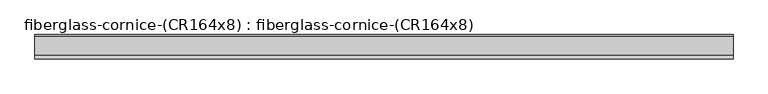
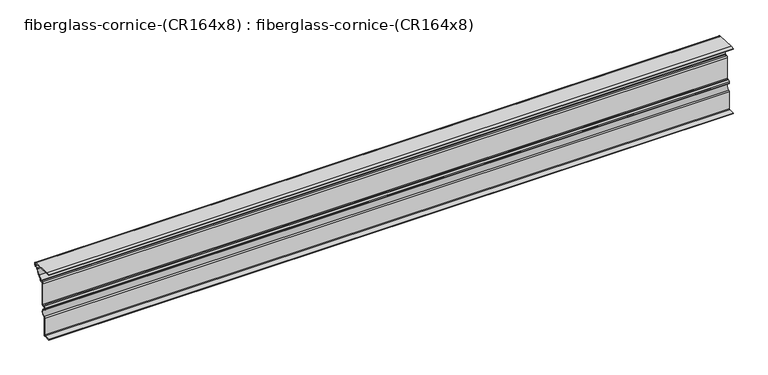
"""IFC4 building model written with IfcOpenShell, lengths in millimetres: furniture geometry, fiberglass-cornice-(CR164x8) : fiberglass-cornice-(CR164x8)."""

from ifc_helpers import new_model, si_unit, point, frame, frame_2d, origin, place, context, project, spatial, polyline, circle_curve, trimmed, segment, composite_curve, outline, extrude, source, transform, mapped, element, save


def fiberglass_cornice_cr164x8_fiberglass_cornice_cr164x8_91d077b2(model_context):
    return source(origin(), model_context, "Body", "SweptSolid", [
        extrude(outline(composite_curve([segment(polyline([(122.4404639, 330.1999904), (233.5654639, 327.3575667)]), True, "CONTINUOUS"), segment(trimmed(circle_curve(frame_2d((233.3625, 319.422662)), 7.9375), [point((233.5654639, 327.3575667))], [point((241.3, 319.422662))], False, "CARTESIAN"), True, "CONTINUOUS"), segment(polyline([(241.3, 319.422662), (241.3, 309.7707122)]), True, "CONTINUOUS"), segment(trimmed(circle_curve(frame_2d((233.3625, 309.7707122)), 7.9375), [point((241.3, 309.7707122))], [point((233.3625, 301.8332122))], False, "CARTESIAN"), True, "CONTINUOUS"), segment(polyline([(233.3625, 301.8332122), (215.9, 301.8332122)]), True, "CONTINUOUS"), segment(trimmed(circle_curve(frame_2d((215.9, 297.0707122)), 4.7625), [point((215.9, 301.8332122))], [point((215.9, 292.3082122))], False, "CARTESIAN"), True, "CONTINUOUS"), segment(trimmed(circle_curve(frame_2d((184.0165967, 294.5744018)), 31.9638393), [point((215.9, 292.3082122))], [point((200.025, 266.9082122))], False, "CARTESIAN"), True, "CONTINUOUS"), segment(trimmed(circle_curve(frame_2d((216.0334033, 239.2420227)), 31.9638393), [point((200.025, 266.9082122))], [point((185.1323585, 247.415911))], True, "CARTESIAN"), True, "CONTINUOUS"), segment(trimmed(circle_curve(frame_2d((177.4587796, 249.4457122)), 7.9375), [point((185.1323585, 247.415911))], [point((177.4587796, 241.5082122))], False, "CARTESIAN"), True, "CONTINUOUS"), segment(polyline([(177.4587796, 241.5082122), (168.275, 241.5082122)]), True, "CONTINUOUS"), segment(trimmed(circle_curve(frame_2d((168.275, 238.3332122)), 3.175), [point((168.275, 241.5082122))], [point((165.1, 238.3332122))], True, "CARTESIAN"), True, "CONTINUOUS"), segment(polyline([(165.1, 238.3332122), (165.1, 109.7457122)]), True, "CONTINUOUS"), segment(trimmed(circle_curve(frame_2d((157.1625, 109.7457122)), 7.9375), [point((165.1, 109.7457122))], [point((157.1625, 101.8082122))], False, "CARTESIAN"), True, "CONTINUOUS"), segment(polyline([(157.1625, 101.8082122), (149.225, 101.8082122)]), True, "CONTINUOUS"), segment(trimmed(circle_curve(frame_2d((149.225, 98.6332122)), 3.175), [point((149.225, 101.8082122))], [point((146.05, 98.6332122))], True, "CARTESIAN"), True, "CONTINUOUS"), segment(polyline([(146.05, 98.6332122), (146.05, 91.4209842)]), True, "CONTINUOUS"), segment(trimmed(circle_curve(frame_2d((149.225, 91.4209842)), 3.175), [point((146.05, 91.4209842))], [point((148.1303888, 88.44064))], True, "CARTESIAN"), True, "CONTINUOUS"), segment(trimmed(circle_curve(frame_2d((139.0467426, 63.7082122)), 26.347782), [point((148.1303888, 88.44064))], [point((148.1303888, 38.9757844))], False, "CARTESIAN"), True, "CONTINUOUS"), segment(trimmed(circle_curve(frame_2d((149.225, 35.9954402)), 3.175), [point((148.1303888, 38.9757844))], [point((146.05, 35.9954402))], True, "CARTESIAN"), True, "CONTINUOUS"), segment(polyline([(146.05, 35.9954402), (146.05, -68.0542878)]), True, "CONTINUOUS"), segment(trimmed(circle_curve(frame_2d((138.1125, -68.0542878)), 7.9375), [point((146.05, -68.0542878))], [point((138.1125, -75.9917878))], False, "CARTESIAN"), True, "CONTINUOUS"), segment(polyline([(138.1125, -75.9917878), (101.6, -75.9917878), (101.6, -71.2292878), (138.1125, -71.2292878)]), True, "CONTINUOUS"), segment(trimmed(circle_curve(frame_2d((138.1125, -68.0542878)), 3.175), [point((138.1125, -71.2292878))], [point((141.2875, -68.0542878))], True, "CARTESIAN"), True, "CONTINUOUS"), segment(polyline([(141.2875, -68.0542878), (141.2875, 35.9954402)]), True, "CONTINUOUS"), segment(trimmed(circle_curve(frame_2d((149.225, 35.9954402)), 7.9375), [point((141.2875, 35.9954402))], [point((146.488472, 43.4463007))], False, "CARTESIAN"), True, "CONTINUOUS"), segment(trimmed(circle_curve(frame_2d((139.0467426, 63.7082122)), 21.585282), [point((146.488472, 43.4463007))], [point((146.488472, 83.9701238))], True, "CARTESIAN"), True, "CONTINUOUS"), segment(trimmed(circle_curve(frame_2d((149.225, 91.4209842)), 7.9375), [point((146.488472, 83.9701238))], [point((141.2875, 91.4209842))], False, "CARTESIAN"), True, "CONTINUOUS"), segment(polyline([(141.2875, 91.4209842), (141.2875, 98.6332122)]), True, "CONTINUOUS"), segment(trimmed(circle_curve(frame_2d((149.225, 98.6332122)), 7.9375), [point((141.2875, 98.6332122))], [point((149.225, 106.5707122))], False, "CARTESIAN"), True, "CONTINUOUS"), segment(polyline([(149.225, 106.5707122), (157.1625, 106.5707122)]), True, "CONTINUOUS"), segment(trimmed(circle_curve(frame_2d((157.1625, 109.7457122)), 3.175), [point((157.1625, 106.5707122))], [point((160.3375, 109.7457122))], True, "CARTESIAN"), True, "CONTINUOUS"), segment(polyline([(160.3375, 109.7457122), (160.3375, 238.3332122)]), True, "CONTINUOUS"), segment(trimmed(circle_curve(frame_2d((168.275, 238.3332122)), 7.9375), [point((160.3375, 238.3332122))], [point((168.275, 246.2707122))], False, "CARTESIAN"), True, "CONTINUOUS"), segment(polyline([(168.275, 246.2707122), (177.4587796, 246.2707122)]), True, "CONTINUOUS"), segment(trimmed(circle_curve(frame_2d((177.4587796, 249.4457122)), 3.175), [point((177.4587796, 246.2707122))], [point((180.5282111, 248.6337917))], True, "CARTESIAN"), True, "CONTINUOUS"), segment(trimmed(circle_curve(frame_2d((216.0334033, 239.2420227)), 36.7263393), [point((180.5282111, 248.6337917))], [point((197.639804, 271.0303775))], False, "CARTESIAN"), True, "CONTINUOUS"), segment(trimmed(circle_curve(frame_2d((184.0165967, 294.5744018)), 27.2013393), [point((197.639804, 271.0303775))], [point((209.3983608, 304.3559613))], True, "CARTESIAN"), True, "CONTINUOUS"), segment(trimmed(circle_curve(frame_2d((211.6381117, 304.3559613)), 2.2397509), [point((209.3983608, 304.3559613))], [point((211.6381117, 306.5957122))], False, "CARTESIAN"), True, "CONTINUOUS"), segment(polyline([(211.6381117, 306.5957122), (233.3625, 306.5957122)]), True, "CONTINUOUS"), segment(trimmed(circle_curve(frame_2d((233.3625, 309.7707122)), 3.175), [point((233.3625, 306.5957122))], [point((236.5375, 309.7707122))], True, "CARTESIAN"), True, "CONTINUOUS"), segment(polyline([(236.5375, 309.7707122), (236.5375, 319.422662)]), True, "CONTINUOUS"), segment(trimmed(circle_curve(frame_2d((233.3625, 319.422662)), 3.175), [point((236.5375, 319.422662))], [point((233.4436856, 322.5966239))], True, "CARTESIAN"), True, "CONTINUOUS"), segment(polyline([(233.4436856, 322.5966239), (122.3186856, 325.4390476), (101.6, 325.4390476), (101.6, 330.1999904), (122.4404639, 330.1999904)]), True, "CONTINUOUS")], self_intersect=False)), frame((-2012.9498044, 0.0, 0.0), z_axis=(1.0, 0.0, 0.0), x_axis=(0.0, 1.0, 0.0)), (0.0, 0.0, 1.0), 4025.8996087),
    ])


if __name__ == "__main__":
    model = new_model("IFC4")
    model_context = context("Model", 3, world=origin())
    ifc_project = project(units=[si_unit("LENGTHUNIT", "METRE", prefix="MILLI")], contexts=[model_context])
    site = spatial("IfcSite", under=ifc_project)
    building = spatial("IfcBuilding", under=site)
    placement = place(None, origin())
    fiberglass_cornice_cr164x8_fiberglass_cornice_cr164x8_shape = fiberglass_cornice_cr164x8_fiberglass_cornice_cr164x8_91d077b2(model_context)
    element("IfcFurniture", 1, ObjectType="fiberglass-cornice-(CR164x8) : fiberglass-cornice-(CR164x8)", at=placement, inside=building, context=model_context, shape_type="MappedRepresentation", body=[
        mapped(fiberglass_cornice_cr164x8_fiberglass_cornice_cr164x8_shape, transform((0.0, 0.0, 0.0), x_axis=(1.0, 0.0, 0.0), y_axis=(0.0, 1.0, 0.0), z_axis=(0.0, 0.0, 1.0))),
    ])
    save(model, "model.ifc")
